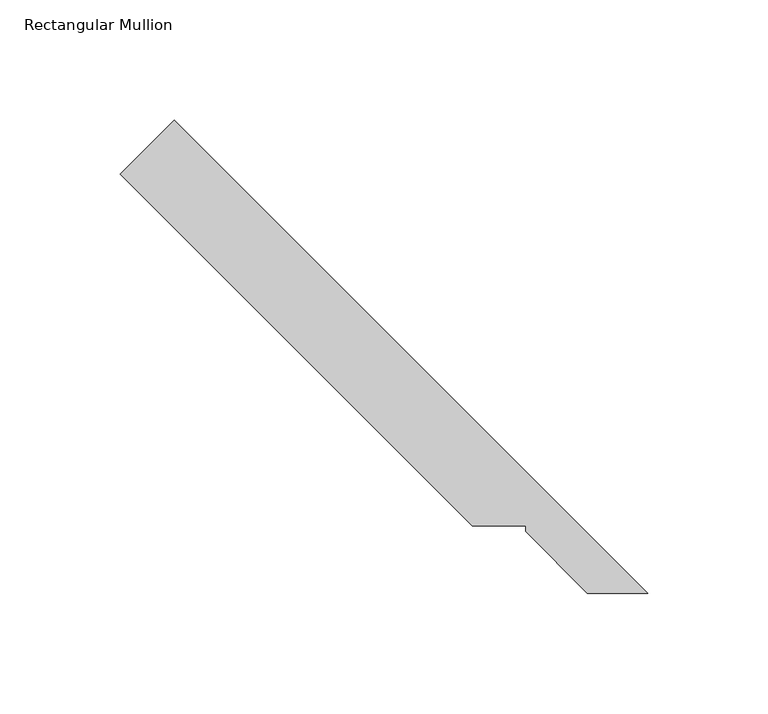
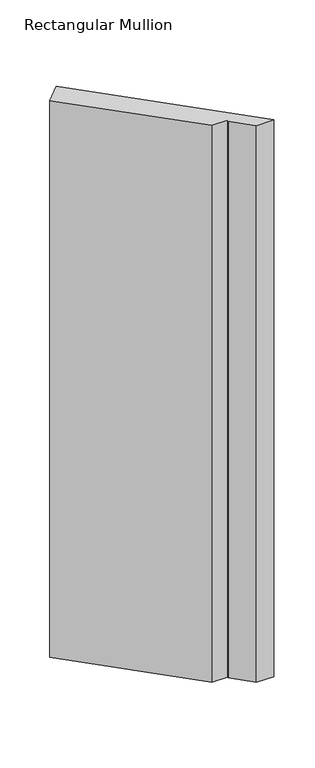
"""IFC4 building model written with IfcOpenShell, lengths in millimetres: member geometry, Rectangular Mullion."""

from ifc_helpers import new_model, si_unit, frame, origin, place, context, project, spatial, polyline, outline, extrude, source, transform, mapped, element, save


def rectangular_mullion_64e49fd7(model_context):
    return source(origin(), model_context, "Body", "SweptSolid", [
        extrude(outline(polyline([(-215.2737965, 215.2737965), (-18.7795466, 18.7795466), (-43.8506461, 18.7795466), (-69.3587299, 44.3964492), (-69.3587299, 46.6824492), (-91.5837298, 46.6824492), (-237.7244368, 192.8231562), (-215.2737965, 215.2737965)])), frame((0.0, 0.0, -838.1999996), z_axis=(0.0, 0.0, 1.0), x_axis=(1.0, 0.0, 0.0)), (0.0, 0.0, 1.0), 838.1999996),
    ])


if __name__ == "__main__":
    model = new_model("IFC4")
    model_context = context("Model", 3, world=origin())
    ifc_project = project(units=[si_unit("LENGTHUNIT", "METRE", prefix="MILLI")], contexts=[model_context])
    site = spatial("IfcSite", under=ifc_project)
    building = spatial("IfcBuilding", under=site)
    placement = place(None, origin())
    rectangular_mullion_shape = rectangular_mullion_64e49fd7(model_context)
    element("IfcMember", 1, ObjectType="Rectangular Mullion", at=placement, inside=building, context=model_context, shape_type="MappedRepresentation", body=[
        mapped(rectangular_mullion_shape, transform((0.0, 0.0, 0.0), x_axis=(1.0, 0.0, 0.0), y_axis=(0.0, 1.0, 0.0), z_axis=(0.0, 0.0, 1.0))),
    ])
    save(model, "model.ifc")
